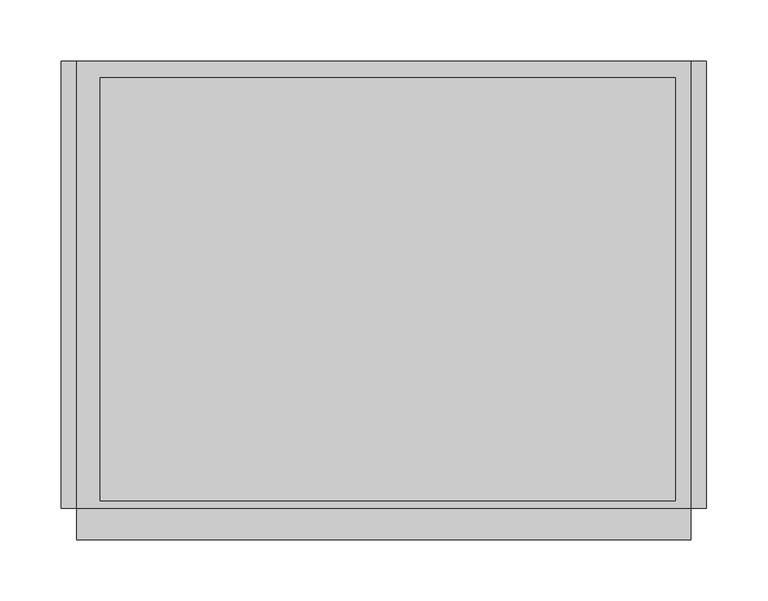
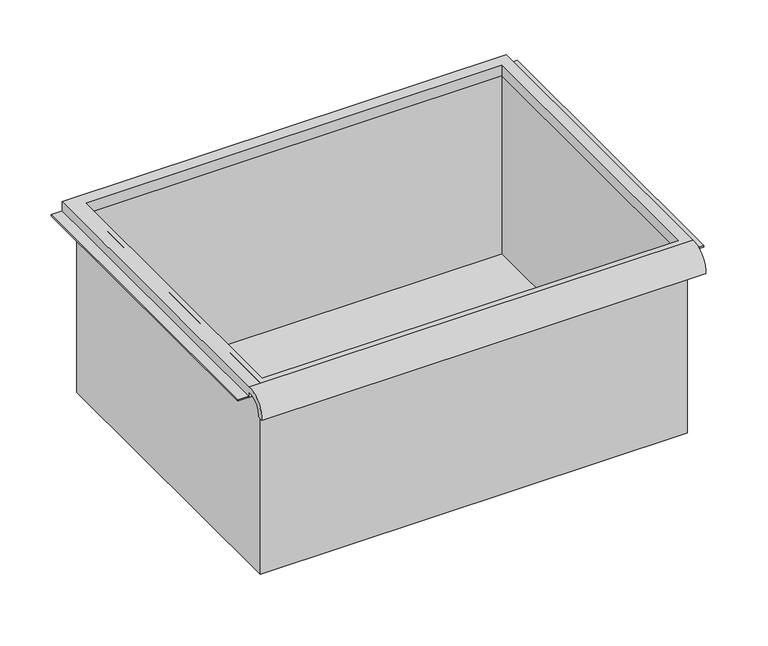
"""IFC4 building model written with IfcOpenShell, lengths in millimetres: furniture geometry."""

from ifc_helpers import new_model, si_unit, frame, origin, place, context, project, spatial, polyline, circle_curve, faceted_brep, source, transform, mapped, element, save
from ifc_brep_helpers import plane_surface, cylinder_surface, revolved_surface, advanced_brep


def furniture_5f91ab00(model_context):
    return source(origin(), model_context, "Body", "SolidModel", [
        advanced_brep(
        [(263.7474999, -195.297482, 431.0035672), (263.7474999, -188.9125, 431.0035672), (263.7474999, -169.8625, 449.2650404), (263.7474999, -169.8625, 442.91504), (263.7474999, 195.2625, 442.91504), (263.7474999, 195.2625, 455.6150404), (263.7474999, -169.8625, 455.6150404), (-237.9025001, -195.297482, 431.0035672), (-237.9025001, -169.8625, 455.6150404), (-237.9025001, 195.2625, 455.6150404), (-237.9025001, 195.2625, 442.91504), (-237.9025001, -169.8625, 442.91504), (-237.9025001, -169.8625, 449.2650404), (-237.9025001, -188.9125, 431.0035672), (251.0474878, 181.9275, 442.91504), (-218.8095642, 181.9275, 442.91504), (-218.8095642, -163.5125, 442.91504), (251.0474878, -163.5125, 442.91504), (-218.8095642, 181.9275, 455.6150404), (251.0474878, 181.9275, 455.6150404), (251.0474878, -163.5125, 455.6150404), (-218.8095642, -163.5125, 455.6150404)],
        [
            (0, 1),
            (1, 2, circle_curve(frame((263.7474999, -172.3404634, 432.7829776), z_axis=(-1.0, 0.0, 0.0), x_axis=(0.0, 1.0, 0.0)), 16.6672942)),
            (2, 3),
            (3, 4),
            (4, 5),
            (5, 6),
            (6, 0, circle_curve(frame((263.7474999, -172.4601678, 432.8508676), z_axis=(1.0, 0.0, 0.0), x_axis=(0.0, 1.0, 0.0)), 22.9119061)),
            (7, 8, circle_curve(frame((-237.9025001, -172.4601678, 432.8508676), z_axis=(-1.0, 0.0, 0.0), x_axis=(0.0, 1.0, 0.0)), 22.9119061)),
            (8, 9),
            (9, 10),
            (10, 11),
            (11, 12),
            (12, 13, circle_curve(frame((-237.9025001, -172.3404634, 432.7829776), z_axis=(1.0, 0.0, 0.0), x_axis=(0.0, 1.0, 0.0)), 16.6672942)),
            (13, 7),
            (0, 7),
            (13, 1),
            (12, 2),
            (11, 3),
            (10, 4),
            (14, 15),
            (15, 16),
            (16, 17),
            (17, 14),
            (9, 5),
            (8, 6),
            (18, 19),
            (19, 20),
            (20, 21),
            (21, 18),
            (14, 19),
            (18, 15),
            (21, 16),
            (20, 17),
        ],
        [
            plane_surface(frame((263.7474999, -195.297482, 431.0035672), z_axis=(1.0, 0.0, 0.0), x_axis=(0.0, 1.0, 0.0))),
            plane_surface(frame((-237.9025001, -195.297482, 431.0035672), z_axis=(-1.0, 0.0, 0.0), x_axis=(0.0, -1.0, 0.0))),
            plane_surface(frame((263.7474999, -195.297482, 431.0035672), z_axis=(0.0, 0.0, -1.0), x_axis=(-1.0, 0.0, 0.0))),
            revolved_surface(polyline([(-237.9025001, -155.67316920000002, 432.7829776), (263.7474999, -155.67316920000002, 432.7829776)]), (-237.9025001, -172.3404634, 432.7829776), (-1.0, 0.0, 0.0)),
            plane_surface(frame((263.7474999, -169.8625, 449.2650404), z_axis=(0.0, -1.0, 0.0), x_axis=(-1.0, 0.0, 0.0))),
            plane_surface(frame((263.7474999, -169.8625, 442.91504), z_axis=(0.0, 0.0, -1.0), x_axis=(-1.0, 0.0, 0.0))),
            plane_surface(frame((263.7474999, 195.2625, 442.91504), z_axis=(0.0, 1.0, 0.0), x_axis=(-1.0, 0.0, 0.0))),
            plane_surface(frame((263.7474999, 195.2625, 455.6150404), z_axis=(0.0, 0.0, 1.0), x_axis=(-1.0, 0.0, 0.0))),
            cylinder_surface(frame((-237.9025001, -172.4601678, 432.8508676), z_axis=(1.0, 0.0, 0.0), x_axis=(0.0, 1.0, 0.0)), 22.9119061),
            plane_surface(frame((251.0474878, 181.9275, 455.6150404), z_axis=(0.0, -1.0, 0.0), x_axis=(0.0, 0.0, -1.0))),
            plane_surface(frame((-218.8095642, 181.9275, 455.6150404), z_axis=(1.0, 0.0, 0.0), x_axis=(0.0, 0.0, -1.0))),
            plane_surface(frame((-218.8095642, -163.5125, 455.6150404), z_axis=(0.0, 1.0, 0.0), x_axis=(0.0, 0.0, -1.0))),
            plane_surface(frame((251.0474878, -163.5125, 455.6150404), z_axis=(-1.0, 0.0, 0.0), x_axis=(0.0, 0.0, -1.0))),
        ],
        [
            (0, [[1, 2, 3, 4, 5, 6, 7]]),
            (1, [[8, 9, 10, 11, 12, 13, 14]]),
            (2, [[-1, 15, -14, 16]]),
            (3, [[-2, -16, -13, 17]]),
            (4, [[-3, -17, -12, 18]]),
            (5, [[-4, -18, -11, 19], [20, 21, 22, 23]]),
            (6, [[-5, -19, -10, 24]]),
            (7, [[-6, -24, -9, 25], [26, 27, 28, 29]]),
            (8, [[-7, -25, -8, -15]]),
            (9, [[30, -26, 31, -20]]),
            (10, [[-31, -29, 32, -21]]),
            (11, [[-32, -28, 33, -22]]),
            (12, [[-30, -23, -33, -27]]),
        ],
    ),
        faceted_brep([(-225.2025001, -169.8625, 227.0150404), (257.3974878, -169.8625, 227.0150404), (257.3974878, -169.8625, 455.6150404), (-225.2025001, -169.8625, 455.6150404), (-225.2025001, 188.9125, 227.0150404), (-225.2025001, 188.9125, 455.6150404), (257.3974878, 188.9125, 455.6150404), (257.3974878, 188.9125, 227.0150404), (-218.8095642, 181.9275, 455.6150404), (251.0474878, 181.9275, 455.6150404), (251.0474878, -163.5125, 455.6150404), (-218.8095642, -163.5125, 455.6150404), (251.0474878, 181.9275, 230.1900404), (-218.8095642, 181.9275, 230.1900404), (-218.8095642, -163.5125, 230.1900404), (251.0474878, -163.5125, 230.1900404)], [[[0, 1, 2, 3]], [[4, 5, 6, 7]], [[1, 0, 4, 7]], [[2, 1, 7, 6]], [[3, 2, 6, 5], [8, 9, 10, 11]], [[0, 3, 5, 4]], [[12, 13, 14, 15]], [[13, 12, 9, 8]], [[14, 13, 8, 11]], [[15, 14, 11, 10]], [[12, 15, 10, 9]]]),
        faceted_brep([(-250.6025001, 195.2625, 442.91504), (-250.6025001, 195.2625, 444.50254), (-231.5525001, 195.2625, 444.50254), (-231.5525001, 195.2625, 442.91504), (-250.6025001, -169.8625, 442.91504), (-231.5525001, -169.8625, 442.91504), (-231.5525001, -169.8625, 444.50254), (-250.6025001, -169.8625, 444.50254)], [[[0, 1, 2, 3]], [[4, 5, 6, 7]], [[1, 0, 4, 7]], [[2, 1, 7, 6]], [[3, 2, 6, 5]], [[0, 3, 5, 4]]]),
        faceted_brep([(276.4474999, 195.2625, 442.91504), (263.7474999, 195.2625, 442.91504), (263.7474999, 195.2625, 444.50254), (276.4474999, 195.2625, 444.50254), (276.4474999, -169.8625, 442.91504), (276.4474999, -169.8625, 444.50254), (263.7474999, -169.8625, 444.50254), (263.7474999, -169.8625, 442.91504)], [[[0, 1, 2, 3]], [[4, 5, 6, 7]], [[1, 0, 4, 7]], [[2, 1, 7, 6]], [[3, 2, 6, 5]], [[0, 3, 5, 4]]]),
    ])


if __name__ == "__main__":
    model = new_model("IFC4")
    model_context = context("Model", 3, world=origin())
    ifc_project = project(units=[si_unit("LENGTHUNIT", "METRE", prefix="MILLI")], contexts=[model_context])
    site = spatial("IfcSite", under=ifc_project)
    building = spatial("IfcBuilding", under=site)
    placement = place(None, origin())
    furniture_shape = furniture_5f91ab00(model_context)
    element("IfcFurniture", 1, at=placement, inside=building, context=model_context, shape_type="MappedRepresentation", body=[
        mapped(furniture_shape, transform((0.0, 0.0, 0.0), x_axis=(1.0, 0.0, 0.0), y_axis=(0.0, 1.0, 0.0), z_axis=(0.0, 0.0, 1.0))),
    ])
    save(model, "model.ifc")
